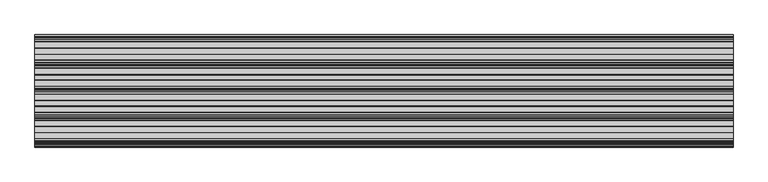
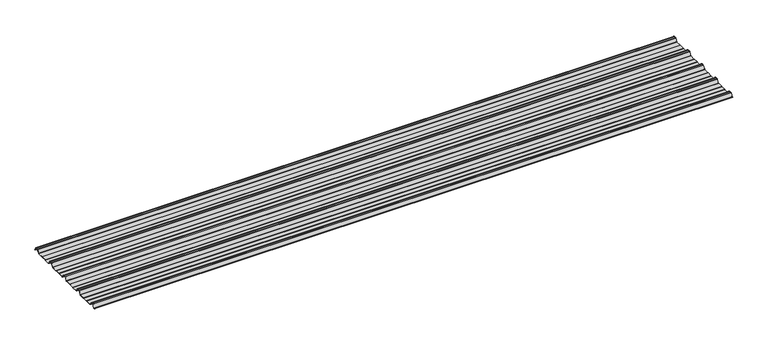
"""IFC4 building model written with IfcOpenShell, lengths in millimetres: beam geometry."""

import ifcopenshell
import ifcopenshell.guid

model = None  # the IFC model being written
_history = None  # IfcOwnerHistory: only IFC2X3 demands one
_inside = {}  # id of a spatial element -> (the spatial element, [elements in it])
_under = {}  # id of a project, library or spatial element -> (it, [spatial elements below it])
_declared = {}  # id of a project -> (the project, [libraries it declares])
_typed = {}  # id of a type object -> (the type object, [elements of that type])
_made_of = {}  # id of a material, layer set ... -> (it, [elements and type objects made of it])


def new_model(schema):
    """Start an empty IFC model of exactly this schema.

    Asked for "IFC4X3", IfcOpenShell would pick the latest addendum, in which some entities
    have other attributes; the version numbers below select the first issue.
    IFC2X3 requires an IfcOwnerHistory on every rooted entity: one is made here for all.
    """
    global model, _history
    if schema == "IFC4X3":
        model = ifcopenshell.file(schema_version=(4, 3, 0, 0))
    else:
        model = ifcopenshell.file(schema=schema)
    _inside.clear()
    _under.clear()
    _declared.clear()
    _typed.clear()
    _made_of.clear()
    _history = None
    if model.schema == "IFC2X3":
        org = make("IfcOrganization", Name="unknown")
        user = make(
            "IfcPersonAndOrganization",
            ThePerson=make("IfcPerson", FamilyName="unknown"),
            TheOrganization=org,
        )
        app = make(
            "IfcApplication",
            ApplicationDeveloper=org,
            Version="unknown",
            ApplicationFullName="unknown",
            ApplicationIdentifier="unknown",
        )
        _history = make(
            "IfcOwnerHistory",
            OwningUser=user,
            OwningApplication=app,
            ChangeAction="ADDED",
            CreationDate=0,
        )
    return model


def make(cls, **values):
    """One entity of the class cls with the attributes given. An attribute that is None is left unset."""
    return model.create_entity(
        cls, **{name: value for name, value in values.items() if value is not None}
    )


def rooted(cls, **values):
    """An entity with a GlobalId (a new one), such as an element, a storey or a relation."""
    return make(cls, GlobalId=ifcopenshell.guid.new(), OwnerHistory=_history, **values)


def si_unit(unit_type, name, prefix=None):
    """IfcSIUnit, for example si_unit("LENGTHUNIT", "METRE", prefix="MILLI")."""
    return make("IfcSIUnit", UnitType=unit_type, Prefix=prefix, Name=name)


def assignment(units):
    """IfcUnitAssignment: the units of a project."""
    return None if units is None else make("IfcUnitAssignment", Units=units)


def point(xyz):
    """IfcCartesianPoint."""
    return None if xyz is None else make("IfcCartesianPoint", Coordinates=xyz)


def direction(xyz):
    """IfcDirection."""
    return None if xyz is None else make("IfcDirection", DirectionRatios=xyz)


def frame(location, z_axis=None, x_axis=None):
    """IfcAxis2Placement3D, a coordinate frame: its origin and axes. An axis left out is left unset."""
    return make(
        "IfcAxis2Placement3D",
        Location=point(location),
        Axis=direction(z_axis),
        RefDirection=direction(x_axis),
    )


def frame_2d(location, x_axis=None):
    """IfcAxis2Placement2D, a coordinate frame in the plane: its origin and x axis."""
    return make(
        "IfcAxis2Placement2D", Location=point(location), RefDirection=direction(x_axis)
    )


def origin():
    """The frame at (0, 0, 0) with its axes left unset."""
    return frame((0.0, 0.0, 0.0))


def place(relative_to, where):
    """IfcLocalPlacement: puts the frame where relative to a parent placement (None: the world)."""
    return make(
        "IfcLocalPlacement", PlacementRelTo=relative_to, RelativePlacement=where
    )


def context(
    kind, dimensions, precision=None, world=None, true_north=None, identifier=None
):
    """IfcGeometricRepresentationContext, for example the 3D "Model" context."""
    return make(
        "IfcGeometricRepresentationContext",
        ContextIdentifier=identifier,
        ContextType=kind,
        CoordinateSpaceDimension=dimensions,
        Precision=precision,
        WorldCoordinateSystem=world,
        TrueNorth=true_north,
    )


def project(units=None, contexts=None):
    """IfcProject with its units and contexts."""
    return rooted(
        "IfcProject",
        Name="project",
        RepresentationContexts=contexts,
        UnitsInContext=assignment(units),
    )


def spatial(cls, under=None, at=None, **own):
    """A site, building, storey or space (cls), placed at a placement, below another one or the project."""
    s = rooted(cls, ObjectPlacement=at, **own)
    if under is not None:
        _under.setdefault(under.id(), (under, []))[1].append(s)
    return s


def polyline(points):
    """IfcPolyline through the points."""
    return make("IfcPolyline", Points=[point(p) for p in points])


def circle_curve(where, radius):
    """IfcCircle in the frame where."""
    return make("IfcCircle", Position=where, Radius=radius)


def trimmed(basis, trim1, trim2, sense, master):
    """IfcTrimmedCurve: the piece of a basis curve between two trims."""
    return make(
        "IfcTrimmedCurve",
        BasisCurve=basis,
        Trim1=trim1,
        Trim2=trim2,
        SenseAgreement=sense,
        MasterRepresentation=master,
    )


def segment(curve, same_sense, transition):
    """IfcCompositeCurveSegment."""
    return make(
        "IfcCompositeCurveSegment",
        Transition=transition,
        SameSense=same_sense,
        ParentCurve=curve,
    )


def composite_curve(segments, self_intersect=None):
    """IfcCompositeCurve: segments joined end to end."""
    return make("IfcCompositeCurve", Segments=segments, SelfIntersect=self_intersect)


def outline(outer, holes=None, kind="AREA"):
    """IfcArbitraryClosedProfileDef: a profile drawn as a closed curve; with holes, ...WithVoids."""
    if holes is None:
        return make("IfcArbitraryClosedProfileDef", ProfileType=kind, OuterCurve=outer)
    return make(
        "IfcArbitraryProfileDefWithVoids",
        ProfileType=kind,
        OuterCurve=outer,
        InnerCurves=holes,
    )


def extrude(swept, where, along, depth):
    """IfcExtrudedAreaSolid: the profile swept, set in the frame where, extruded along a direction by depth."""
    return make(
        "IfcExtrudedAreaSolid",
        SweptArea=swept,
        Position=where,
        ExtrudedDirection=direction(along),
        Depth=depth,
    )


def shape(context_of_items, identifier, shape_type, items):
    """IfcShapeRepresentation: the items that make up one representation, for example the "Body"."""
    return make(
        "IfcShapeRepresentation",
        ContextOfItems=context_of_items,
        RepresentationIdentifier=identifier,
        RepresentationType=shape_type,
        Items=items,
    )


def source(mapping_origin, context_of_items, identifier, shape_type, items):
    """IfcRepresentationMap: a shape defined once, which mapped items show again and again."""
    return make(
        "IfcRepresentationMap",
        MappingOrigin=mapping_origin,
        MappedRepresentation=shape(context_of_items, identifier, shape_type, items),
    )


def transform(
    local_origin,
    x_axis=None,
    y_axis=None,
    z_axis=None,
    scale=None,
    scale2=None,
    scale3=None,
    uniform=True,
):
    """IfcCartesianTransformationOperator3D, or its non-uniform kind. x_axis, y_axis, z_axis: its Axis1, 2, 3."""
    if uniform:
        return make(
            "IfcCartesianTransformationOperator3D",
            Axis1=direction(x_axis),
            Axis2=direction(y_axis),
            LocalOrigin=point(local_origin),
            Scale=scale,
            Axis3=direction(z_axis),
        )
    return make(
        "IfcCartesianTransformationOperator3DnonUniform",
        Axis1=direction(x_axis),
        Axis2=direction(y_axis),
        LocalOrigin=point(local_origin),
        Scale=scale,
        Axis3=direction(z_axis),
        Scale2=scale2,
        Scale3=scale3,
    )


def mapped(mapping_source, mapping_target):
    """IfcMappedItem: shows the shape of a source again, moved by a transform."""
    return make(
        "IfcMappedItem", MappingSource=mapping_source, MappingTarget=mapping_target
    )


def made_of(thing, what):
    """Note that an element or type object is made of a material, layer set ...; save() writes the relation."""
    if what is not None:
        _made_of.setdefault(what.id(), (what, []))[1].append(thing)
    return thing


def element(
    cls,
    number,
    at=None,
    inside=None,
    cuts=None,
    type_object=None,
    material=None,
    context=None,
    identifier="Body",
    shape_type=None,
    held_by="IfcProductDefinitionShape",
    body=None,
    shapes=None,
    **own,
):
    """One element of the class cls, such as IfcWall. Its Tag is "e" and its number.

    at: its placement. inside: the storey or other place that contains it. cuts: it is an
    opening in that element (IfcRelVoidsElement). A single representation is given by context,
    identifier, shape_type and body (its items); several are given by shapes. held_by: the class
    of the entity that holds the representations. save() writes the other relations.
    """
    e = rooted(cls, Tag="e%d" % number, ObjectPlacement=at, **own)
    if body is not None:
        shapes = [shape(context, identifier, shape_type, body)]
    if shapes is not None:
        e.Representation = make(held_by, Representations=shapes)
    if inside is not None:
        _inside.setdefault(inside.id(), (inside, []))[1].append(e)
    if cuts is not None:
        rooted(
            "IfcRelVoidsElement", RelatingBuildingElement=cuts, RelatedOpeningElement=e
        )
    if type_object is not None:
        _typed.setdefault(type_object.id(), (type_object, []))[1].append(e)
    return made_of(e, material)


def aggregate(whole, parts):
    """IfcRelAggregates: a whole, such as a stair, and the parts it consists of."""
    return rooted("IfcRelAggregates", RelatingObject=whole, RelatedObjects=parts)


def save(model, path):
    """Write the relations noted so far, then the file.

    IfcRelAggregates (storeys below a building ...), IfcRelContainedInSpatialStructure (elements
    in a storey), IfcRelDefinesByType, IfcRelAssociatesMaterial and IfcRelDeclares: one each for
    every whole, place, type object, material and project.
    """
    for whole, parts in _under.values():
        aggregate(whole, parts)
    for where, things in _inside.values():
        rooted(
            "IfcRelContainedInSpatialStructure",
            RelatedElements=things,
            RelatingStructure=where,
        )
    for kind, things in _typed.values():
        rooted("IfcRelDefinesByType", RelatedObjects=things, RelatingType=kind)
    for what, things in _made_of.values():
        rooted("IfcRelAssociatesMaterial", RelatedObjects=things, RelatingMaterial=what)
    for by, libraries in _declared.values():
        rooted("IfcRelDeclares", RelatingContext=by, RelatedDefinitions=libraries)
    model.write(path)


def beam_005bef61(model_context):
    return source(origin(), model_context, "Body", "SweptSolid", [
        extrude(outline(composite_curve([segment(polyline([(-72.2377386, -25.7896475), (-76.3538889, -24.06703), (-113.6461111, -24.06703), (-117.7622614, -25.7896475), (-160.0, -25.7896475)]), True, "CONTINUOUS"), segment(trimmed(circle_curve(frame_2d((-159.2196788, -21.4509358)), 4.4083239), [point((-160.0, -25.7896475))], [point((-162.8209858, -23.9933574))], False, "CARTESIAN"), True, "CONTINUOUS"), segment(polyline([(-162.8209858, -23.9933574), (-178.3273257, -0.5940367)]), True, "CONTINUOUS"), segment(trimmed(circle_curve(frame_2d((-180.8929255, -2.3855242)), 3.1291741), [point((-178.3273257, -0.5940367))], [point((-179.9028031, 0.582874))], True, "CARTESIAN"), True, "CONTINUOUS"), segment(trimmed(circle_curve(frame_2d((-189.9940851, -29.8891871)), 32.0995402), [point((-179.9028031, 0.582874))], [point((-190.0, 2.2103525))], True, "CARTESIAN"), True, "CONTINUOUS"), segment(trimmed(circle_curve(frame_2d((-190.0059149, -29.8891871)), 32.0995402), [point((-190.0, 2.2103525))], [point((-200.0971969, 0.582874))], True, "CARTESIAN"), True, "CONTINUOUS"), segment(trimmed(circle_curve(frame_2d((-199.1070745, -2.3855242)), 3.1291741), [point((-200.0971969, 0.582874))], [point((-201.6726743, -0.5940367))], True, "CARTESIAN"), True, "CONTINUOUS"), segment(polyline([(-201.6726743, -0.5940367), (-217.1790142, -23.9933574)]), True, "CONTINUOUS"), segment(trimmed(circle_curve(frame_2d((-220.7803212, -21.4509358)), 4.4083239), [point((-217.1790142, -23.9933574))], [point((-220.0, -25.7896475))], False, "CARTESIAN"), True, "CONTINUOUS"), segment(polyline([(-220.0, -25.7896475), (-262.2377386, -25.7896475), (-266.3538889, -24.06703), (-303.6461111, -24.06703), (-307.7622614, -25.7896475), (-350.0, -25.7896475)]), True, "CONTINUOUS"), segment(trimmed(circle_curve(frame_2d((-349.2196788, -21.4509358)), 4.4083239), [point((-350.0, -25.7896475))], [point((-352.8209858, -23.9933574))], False, "CARTESIAN"), True, "CONTINUOUS"), segment(polyline([(-352.8209858, -23.9933574), (-368.3273257, -0.5940367)]), True, "CONTINUOUS"), segment(trimmed(circle_curve(frame_2d((-370.8929255, -2.3855242)), 3.1291741), [point((-368.3273257, -0.5940367))], [point((-369.9028031, 0.582874))], True, "CARTESIAN"), True, "CONTINUOUS"), segment(trimmed(circle_curve(frame_2d((-379.9940851, -29.8891871)), 32.0995402), [point((-369.9028031, 0.582874))], [point((-380.0, 2.2103525))], True, "CARTESIAN"), True, "CONTINUOUS"), segment(trimmed(circle_curve(frame_2d((-380.0059149, -29.8891871)), 32.0995402), [point((-380.0, 2.2103525))], [point((-390.0971969, 0.582874))], True, "CARTESIAN"), True, "CONTINUOUS"), segment(trimmed(circle_curve(frame_2d((-389.1070745, -2.3855242)), 3.1291741), [point((-390.0971969, 0.582874))], [point((-391.6726743, -0.5940367))], True, "CARTESIAN"), True, "CONTINUOUS"), segment(polyline([(-391.6726743, -0.5940367), (-407.1790142, -23.9933574)]), True, "CONTINUOUS"), segment(trimmed(circle_curve(frame_2d((-410.7803212, -21.4509358)), 4.4083239), [point((-407.1790142, -23.9933574))], [point((-410.0, -25.7896475))], False, "CARTESIAN"), True, "CONTINUOUS"), segment(polyline([(-410.0, -25.7896475), (-452.2377387, -25.7896475), (-456.3538889, -24.06703), (-493.6461111, -24.06703), (-497.7622614, -25.7896475), (-540.0, -25.7896475)]), True, "CONTINUOUS"), segment(trimmed(circle_curve(frame_2d((-539.2196788, -21.4509358)), 4.4083239), [point((-540.0, -25.7896475))], [point((-542.8209858, -23.9933574))], False, "CARTESIAN"), True, "CONTINUOUS"), segment(polyline([(-542.8209858, -23.9933574), (-558.3273257, -0.5940367)]), True, "CONTINUOUS"), segment(trimmed(circle_curve(frame_2d((-560.8929255, -2.3855242)), 3.1291741), [point((-558.3273257, -0.5940367))], [point((-559.9028031, 0.582874))], True, "CARTESIAN"), True, "CONTINUOUS"), segment(trimmed(circle_curve(frame_2d((-569.9940851, -29.8891871)), 32.0995402), [point((-559.9028031, 0.582874))], [point((-570.0, 2.2103525))], True, "CARTESIAN"), True, "CONTINUOUS"), segment(trimmed(circle_curve(frame_2d((-570.0059149, -29.8891871)), 32.0995402), [point((-570.0, 2.2103525))], [point((-580.0971969, 0.582874))], True, "CARTESIAN"), True, "CONTINUOUS"), segment(trimmed(circle_curve(frame_2d((-579.1070745, -2.3855242)), 3.1291741), [point((-580.0971969, 0.582874))], [point((-581.6726743, -0.5940367))], True, "CARTESIAN"), True, "CONTINUOUS"), segment(polyline([(-581.6726743, -0.5940367), (-597.1790142, -23.9933574)]), True, "CONTINUOUS"), segment(trimmed(circle_curve(frame_2d((-600.7803212, -21.4509358)), 4.4083239), [point((-597.1790142, -23.9933574))], [point((-600.0, -25.7896475))], False, "CARTESIAN"), True, "CONTINUOUS"), segment(polyline([(-600.0, -25.7896475), (-642.2377387, -25.7896475), (-646.3538889, -24.06703), (-683.6461111, -24.06703), (-687.7622614, -25.7896475), (-730.0, -25.7896475)]), True, "CONTINUOUS"), segment(trimmed(circle_curve(frame_2d((-729.2196788, -21.4509358)), 4.4083239), [point((-730.0, -25.7896475))], [point((-732.8209858, -23.9933574))], False, "CARTESIAN"), True, "CONTINUOUS"), segment(polyline([(-732.8209858, -23.9933574), (-748.3273257, -0.5940367)]), True, "CONTINUOUS"), segment(trimmed(circle_curve(frame_2d((-750.8929255, -2.3855242)), 3.1291741), [point((-748.3273257, -0.5940367))], [point((-749.9028031, 0.582874))], True, "CARTESIAN"), True, "CONTINUOUS"), segment(trimmed(circle_curve(frame_2d((-759.9940851, -29.8891871)), 32.0995402), [point((-749.9028031, 0.582874))], [point((-760.0, 2.2103525))], True, "CARTESIAN"), True, "CONTINUOUS"), segment(trimmed(circle_curve(frame_2d((-760.0059149, -29.8891871)), 32.0995402), [point((-760.0, 2.2103525))], [point((-770.0971969, 0.582874))], True, "CARTESIAN"), True, "CONTINUOUS"), segment(trimmed(circle_curve(frame_2d((-769.1070745, -2.3855242)), 3.1291741), [point((-770.0971969, 0.582874))], [point((-771.6726743, -0.5940367))], True, "CARTESIAN"), True, "CONTINUOUS"), segment(polyline([(-771.6726743, -0.5940367), (-785.8536479, -21.993358)]), True, "CONTINUOUS"), segment(trimmed(circle_curve(frame_2d((-789.4549545, -19.4509358)), 4.4083239), [point((-785.8536479, -21.993358))], [point((-788.6746333, -23.7896475))], False, "CARTESIAN"), True, "CONTINUOUS"), segment(polyline([(-788.6746333, -23.7896475), (-792.3232685, -23.7896475)]), True, "CONTINUOUS"), segment(trimmed(circle_curve(frame_2d((-792.3232685, -23.2896475)), 0.5), [point((-792.3232685, -23.7896475))], [point((-792.3232685, -22.7896475))], False, "CARTESIAN"), True, "CONTINUOUS"), segment(polyline([(-792.3232685, -22.7896475), (-788.769625, -22.7896475)]), True, "CONTINUOUS"), segment(trimmed(circle_curve(frame_2d((-789.4549545, -19.4509358)), 3.4083239), [point((-788.769625, -22.7896475))], [point((-786.6785605, -21.42788))], True, "CARTESIAN"), True, "CONTINUOUS"), segment(polyline([(-786.6785605, -21.42788), (-772.5, -0.0322)]), True, "CONTINUOUS"), segment(trimmed(circle_curve(frame_2d((-769.1070745, -2.3855242)), 4.1291741), [point((-772.5, -0.0322))], [point((-770.41253, 1.5318556))], False, "CARTESIAN"), True, "CONTINUOUS"), segment(trimmed(circle_curve(frame_2d((-760.0059149, -29.8891871)), 33.0995402), [point((-770.41253, 1.5318556))], [point((-760.0, 3.2103525))], False, "CARTESIAN"), True, "CONTINUOUS"), segment(trimmed(circle_curve(frame_2d((-759.9940851, -29.8891871)), 33.0995402), [point((-760.0, 3.2103525))], [point((-749.58747, 1.5318556))], False, "CARTESIAN"), True, "CONTINUOUS"), segment(trimmed(circle_curve(frame_2d((-750.8929255, -2.3855242)), 4.1291741), [point((-749.58747, 1.5318556))], [point((-747.5, -0.0322))], False, "CARTESIAN"), True, "CONTINUOUS"), segment(polyline([(-747.5, -0.0322), (-732.1223092, -23.2373872)]), True, "CONTINUOUS"), segment(trimmed(circle_curve(frame_2d((-729.2196788, -21.4509358)), 3.4083239), [point((-732.1223092, -23.2373872))], [point((-729.9050084, -24.7896475))], True, "CARTESIAN"), True, "CONTINUOUS"), segment(polyline([(-729.9050084, -24.7896475), (-687.9630742, -24.7896475), (-683.846924, -23.06703), (-646.1530761, -23.06703), (-642.0369258, -24.7896475), (-600.0949917, -24.7896475)]), True, "CONTINUOUS"), segment(trimmed(circle_curve(frame_2d((-600.7803212, -21.4509358)), 3.4083239), [point((-600.0949917, -24.7896475))], [point((-597.8776908, -23.2373872))], True, "CARTESIAN"), True, "CONTINUOUS"), segment(polyline([(-597.8776908, -23.2373872), (-582.5, -0.0322)]), True, "CONTINUOUS"), segment(trimmed(circle_curve(frame_2d((-579.1070745, -2.3855242)), 4.1291741), [point((-582.5, -0.0322))], [point((-580.41253, 1.5318556))], False, "CARTESIAN"), True, "CONTINUOUS"), segment(trimmed(circle_curve(frame_2d((-570.0059149, -29.8891871)), 33.0995402), [point((-580.41253, 1.5318556))], [point((-570.0, 3.2103525))], False, "CARTESIAN"), True, "CONTINUOUS"), segment(trimmed(circle_curve(frame_2d((-569.9940851, -29.8891871)), 33.0995402), [point((-570.0, 3.2103525))], [point((-559.58747, 1.5318556))], False, "CARTESIAN"), True, "CONTINUOUS"), segment(trimmed(circle_curve(frame_2d((-560.8929255, -2.3855242)), 4.1291741), [point((-559.58747, 1.5318556))], [point((-557.5, -0.0322))], False, "CARTESIAN"), True, "CONTINUOUS"), segment(polyline([(-557.5, -0.0322), (-542.1223092, -23.2373872)]), True, "CONTINUOUS"), segment(trimmed(circle_curve(frame_2d((-539.2196788, -21.4509358)), 3.4083239), [point((-542.1223092, -23.2373872))], [point((-539.9050084, -24.7896475))], True, "CARTESIAN"), True, "CONTINUOUS"), segment(polyline([(-539.9050084, -24.7896475), (-497.9630742, -24.7896475), (-493.846924, -23.06703), (-456.1530761, -23.06703), (-452.0369258, -24.7896475), (-410.0949917, -24.7896475)]), True, "CONTINUOUS"), segment(trimmed(circle_curve(frame_2d((-410.7803212, -21.4509358)), 3.4083239), [point((-410.0949917, -24.7896475))], [point((-407.8776908, -23.2373872))], True, "CARTESIAN"), True, "CONTINUOUS"), segment(polyline([(-407.8776908, -23.2373872), (-392.5, -0.0322)]), True, "CONTINUOUS"), segment(trimmed(circle_curve(frame_2d((-389.1070745, -2.3855242)), 4.1291741), [point((-392.5, -0.0322))], [point((-390.41253, 1.5318556))], False, "CARTESIAN"), True, "CONTINUOUS"), segment(trimmed(circle_curve(frame_2d((-380.0059149, -29.8891871)), 33.0995402), [point((-390.41253, 1.5318556))], [point((-380.0, 3.2103525))], False, "CARTESIAN"), True, "CONTINUOUS"), segment(trimmed(circle_curve(frame_2d((-379.9940851, -29.8891871)), 33.0995402), [point((-380.0, 3.2103525))], [point((-369.58747, 1.5318556))], False, "CARTESIAN"), True, "CONTINUOUS"), segment(trimmed(circle_curve(frame_2d((-370.8929255, -2.3855242)), 4.1291741), [point((-369.58747, 1.5318556))], [point((-367.5, -0.0322))], False, "CARTESIAN"), True, "CONTINUOUS"), segment(polyline([(-367.5, -0.0322), (-352.1223092, -23.2373872)]), True, "CONTINUOUS"), segment(trimmed(circle_curve(frame_2d((-349.2196788, -21.4509358)), 3.4083239), [point((-352.1223092, -23.2373872))], [point((-349.9050084, -24.7896475))], True, "CARTESIAN"), True, "CONTINUOUS"), segment(polyline([(-349.9050084, -24.7896475), (-307.9630742, -24.7896475), (-303.846924, -23.06703), (-266.153076, -23.06703), (-262.0369258, -24.7896475), (-220.0949917, -24.7896475)]), True, "CONTINUOUS"), segment(trimmed(circle_curve(frame_2d((-220.7803212, -21.4509358)), 3.4083239), [point((-220.0949917, -24.7896475))], [point((-217.8776908, -23.2373872))], True, "CARTESIAN"), True, "CONTINUOUS"), segment(polyline([(-217.8776908, -23.2373872), (-202.5, -0.0322)]), True, "CONTINUOUS"), segment(trimmed(circle_curve(frame_2d((-199.1070745, -2.3855242)), 4.1291741), [point((-202.5, -0.0322))], [point((-200.41253, 1.5318556))], False, "CARTESIAN"), True, "CONTINUOUS"), segment(trimmed(circle_curve(frame_2d((-190.0059149, -29.8891871)), 33.0995402), [point((-200.41253, 1.5318556))], [point((-190.0, 3.2103525))], False, "CARTESIAN"), True, "CONTINUOUS"), segment(trimmed(circle_curve(frame_2d((-189.9940851, -29.8891871)), 33.0995402), [point((-190.0, 3.2103525))], [point((-179.58747, 1.5318556))], False, "CARTESIAN"), True, "CONTINUOUS"), segment(trimmed(circle_curve(frame_2d((-180.8929255, -2.3855242)), 4.1291741), [point((-179.58747, 1.5318556))], [point((-177.5, -0.0322))], False, "CARTESIAN"), True, "CONTINUOUS"), segment(polyline([(-177.5, -0.0322), (-162.1223092, -23.2373872)]), True, "CONTINUOUS"), segment(trimmed(circle_curve(frame_2d((-159.2196788, -21.4509358)), 3.4083239), [point((-162.1223092, -23.2373872))], [point((-159.9050084, -24.7896475))], True, "CARTESIAN"), True, "CONTINUOUS"), segment(polyline([(-159.9050084, -24.7896475), (-117.9630742, -24.7896475), (-113.846924, -23.06703), (-76.153076, -23.06703), (-72.0369258, -24.7896475), (-27.6957008, -24.7896475)]), True, "CONTINUOUS"), segment(trimmed(circle_curve(frame_2d((-28.3810303, -21.4509358)), 3.4083239), [point((-27.6957008, -24.7896475))], [point((-25.6046359, -23.4278795))], True, "CARTESIAN"), True, "CONTINUOUS"), segment(polyline([(-25.6046359, -23.4278795), (-10.8390947, -1.146436)]), True, "CONTINUOUS"), segment(trimmed(circle_curve(frame_2d((-9.2408211, -2.2055853)), 1.9173616), [point((-10.8390947, -1.146436))], [point((-9.7828223, -0.366425))], False, "CARTESIAN"), True, "CONTINUOUS"), segment(trimmed(circle_curve(frame_2d((-0.0059149, -29.8891871)), 31.0995402), [point((-9.7828223, -0.366425))], [point((0.0, 1.2103525))], False, "CARTESIAN"), True, "CONTINUOUS"), segment(trimmed(circle_curve(frame_2d((0.0059149, -29.8891871)), 31.0995402), [point((0.0, 1.2103525))], [point((9.7828223, -0.366425))], False, "CARTESIAN"), True, "CONTINUOUS"), segment(trimmed(circle_curve(frame_2d((9.2408211, -2.2055853)), 1.9173616), [point((9.7828223, -0.366425))], [point((10.8390947, -1.146436))], False, "CARTESIAN"), True, "CONTINUOUS"), segment(polyline([(10.8390947, -1.146436), (25.1846039, -22.7940443)]), True, "CONTINUOUS"), segment(trimmed(circle_curve(frame_2d((24.7678141, -23.0702439)), 0.5), [point((25.1846039, -22.7940443))], [point((24.3510243, -23.3464436))], False, "CARTESIAN"), True, "CONTINUOUS"), segment(polyline([(24.3510243, -23.3464436), (10.1734573, -1.9522629)]), True, "CONTINUOUS"), segment(trimmed(circle_curve(frame_2d((8.6614124, -2.9542699)), 1.8139178), [point((10.1734573, -1.9522629))], [point((9.071517, -1.18732))], True, "CARTESIAN"), True, "CONTINUOUS"), segment(trimmed(circle_curve(frame_2d((0.0059149, -29.8891871)), 30.0995402), [point((9.071517, -1.18732))], [point((0.0, 0.2103525))], True, "CARTESIAN"), True, "CONTINUOUS"), segment(trimmed(circle_curve(frame_2d((-0.0059149, -29.8891871)), 30.0995402), [point((0.0, 0.2103525))], [point((-9.071517, -1.18732))], True, "CARTESIAN"), True, "CONTINUOUS"), segment(trimmed(circle_curve(frame_2d((-8.6614124, -2.9542699)), 1.8139178), [point((-9.071517, -1.18732))], [point((-10.1734573, -1.9522629))], True, "CARTESIAN"), True, "CONTINUOUS"), segment(polyline([(-10.1734573, -1.9522629), (-24.7797233, -23.9933574)]), True, "CONTINUOUS"), segment(trimmed(circle_curve(frame_2d((-28.3810303, -21.4509358)), 4.4083239), [point((-24.7797233, -23.9933574))], [point((-27.6007091, -25.7896475))], False, "CARTESIAN"), True, "CONTINUOUS"), segment(polyline([(-27.6007091, -25.7896475), (-72.2377386, -25.7896475)]), True, "CONTINUOUS")], self_intersect=False)), frame((-2535.0, 0.0, 0.0), z_axis=(1.0, 0.0, 0.0), x_axis=(0.0, 1.0, 0.0)), (0.0, 0.0, 1.0), 5070.0),
    ])


if __name__ == "__main__":
    model = new_model("IFC4")
    model_context = context("Model", 3, world=origin())
    ifc_project = project(units=[si_unit("LENGTHUNIT", "METRE", prefix="MILLI")], contexts=[model_context])
    site = spatial("IfcSite", under=ifc_project)
    building = spatial("IfcBuilding", under=site)
    placement = place(None, origin())
    beam_shape = beam_005bef61(model_context)
    element("IfcBeam", 1, at=placement, inside=building, context=model_context, shape_type="MappedRepresentation", body=[
        mapped(beam_shape, transform((0.0, 0.0, 0.0), x_axis=(1.0, 0.0, 0.0), y_axis=(0.0, 1.0, 0.0), z_axis=(0.0, 0.0, 1.0))),
    ])
    save(model, "model.ifc")
